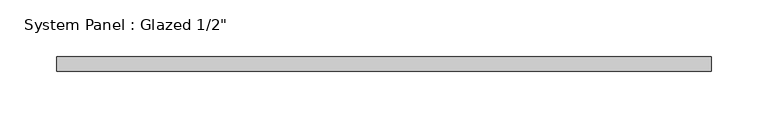
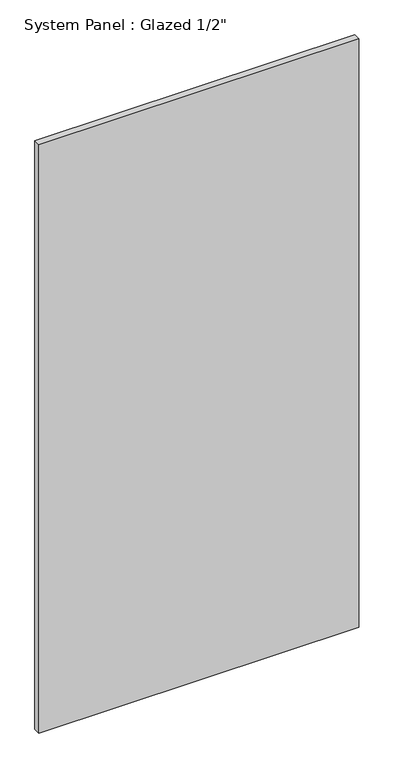
"""IFC4 building model written with IfcOpenShell, lengths in millimetres: plate geometry."""

from ifc_helpers import new_model, si_unit, origin, origin_with_axes, place, context, project, spatial, polyline, outline, extrude, source, transform, mapped, element, save


def plate_720f89c8(model_context):
    return source(origin(), model_context, "Body", "SweptSolid", [
        extrude(outline(polyline([(288.925, -1.5875), (-288.925, -1.5875), (-288.925, 11.1125), (288.925, 11.1125), (288.925, -1.5875)])), origin_with_axes(), (0.0, 0.0, 1.0), 1123.95),
    ])


if __name__ == "__main__":
    model = new_model("IFC4")
    model_context = context("Model", 3, world=origin())
    ifc_project = project(units=[si_unit("LENGTHUNIT", "METRE", prefix="MILLI")], contexts=[model_context])
    site = spatial("IfcSite", under=ifc_project)
    building = spatial("IfcBuilding", under=site)
    placement = place(None, origin())
    plate_shape = plate_720f89c8(model_context)
    element("IfcPlate", 1, ObjectType="System Panel : Glazed 1/2\"", at=placement, inside=building, context=model_context, shape_type="MappedRepresentation", body=[
        mapped(plate_shape, transform((0.0, 0.0, 0.0), x_axis=(1.0, 0.0, 0.0), y_axis=(0.0, 1.0, 0.0), z_axis=(0.0, 0.0, 1.0))),
    ])
    save(model, "model.ifc")
